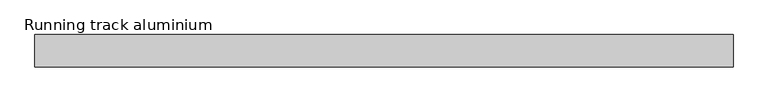
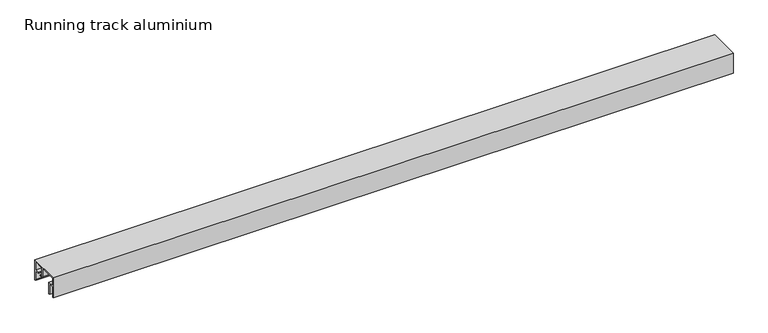
"""IFC4 building model written with IfcOpenShell, lengths in millimetres: proxy geometry, Running track aluminium."""

from ifc_helpers import new_model, si_unit, frame, origin, place, context, project, spatial, polyline, outline, extrude, source, transform, mapped, element, save


def running_track_aluminium_a9af4c3b(model_context):
    return source(origin(), model_context, "Body", "SweptSolid", [
        extrude(outline(polyline([(52.15, 1836.0), (52.15, 1802.75), (44.8, 1802.75), (44.8, 1795.05), (32.0, 1795.05), (32.0, 1836.0), (52.15, 1836.0)])), frame((0.0, 9.5, 0.0), z_axis=(0.0, 1.0, 0.0), x_axis=(0.0, 0.0, 1.0)), (0.0, 0.0, 1.0), 29.0),
        extrude(outline(polyline([(1836.0, 36.5), (1836.0, 11.468441), (1795.05, 11.468441), (1795.05, 36.5), (1836.0, 36.5)])), frame((0.0, 0.0, 30.0), z_axis=(0.0, 0.0, 1.0), x_axis=(1.0, 0.0, 0.0)), (0.0, 0.0, 1.0), 2.0),
        extrude(outline(polyline([(53.96253, 1787.677645), (52.15, 1778.1605826), (53.96253, 1764.7314459), (51.9443954, 1764.7314459), (50.124477, 1778.2153231), (52.15, 1788.8507489), (52.15, 1836.0), (53.96253, 1836.0), (53.96253, 1787.677645)])), frame((0.0, 11.468441, 0.0), z_axis=(0.0, 1.0, 0.0), x_axis=(0.0, 0.0, 1.0)), (0.0, 0.0, 1.0), 25.031559),
        extrude(outline(polyline([(42.0, 58.0), (42.0, 0.0), (39.0, 0.0), (39.0, 3.0), (39.0, 27.0), (27.2, 27.0), (27.2, 30.0), (39.0, 30.0), (39.0, 55.0), (9.0, 55.0), (9.0, 30.0), (17.1, 30.0), (17.1, 27.0), (6.0, 27.0), (6.0, 30.0), (6.0, 55.0), (-41.0, 55.0), (-41.0, 33.0), (-24.0, 33.0), (-24.0, 0.0), (-27.0, 0.0), (-27.0, 30.0), (-41.0, 30.0), (-41.0, 0.0), (-44.0, 0.0), (-44.0, 58.0), (42.0, 58.0)])), frame((0.0, 0.0, 0.0), z_axis=(1.0, 0.0, 0.0), x_axis=(0.0, 1.0, 0.0)), (0.0, 0.0, 1.0), 1845.0),
    ])


if __name__ == "__main__":
    model = new_model("IFC4")
    model_context = context("Model", 3, world=origin())
    ifc_project = project(units=[si_unit("LENGTHUNIT", "METRE", prefix="MILLI")], contexts=[model_context])
    site = spatial("IfcSite", under=ifc_project)
    building = spatial("IfcBuilding", under=site)
    placement = place(None, origin())
    running_track_aluminium_shape = running_track_aluminium_a9af4c3b(model_context)
    element("IfcBuildingElementProxy", 1, Name="Running track aluminium", ObjectType="Running track aluminium", at=placement, inside=building, context=model_context, shape_type="MappedRepresentation", body=[
        mapped(running_track_aluminium_shape, transform((0.0, 0.0, 0.0), x_axis=(1.0, 0.0, 0.0), y_axis=(0.0, 1.0, 0.0), z_axis=(0.0, 0.0, 1.0))),
    ])
    save(model, "model.ifc")
